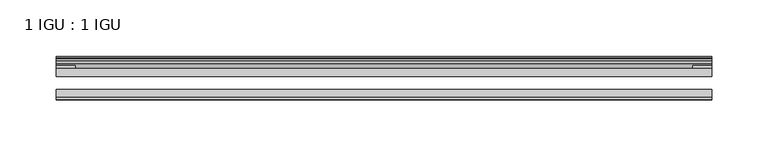
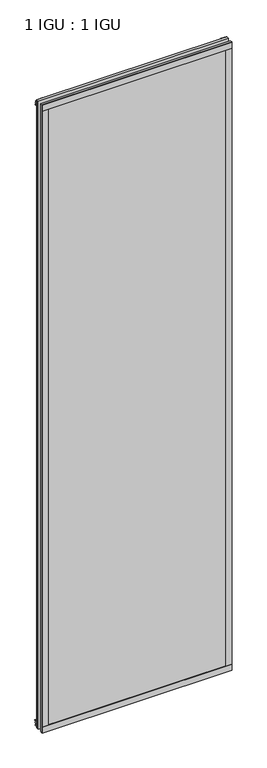
"""IFC4 building model written with IfcOpenShell, lengths in millimetres: plate geometry, 1 IGU : 1 IGU."""

from ifc_helpers import new_model, si_unit, point, frame, frame_2d, origin, place, context, project, spatial, polyline, circle_curve, trimmed, segment, composite_curve, outline, extrude, source, transform, mapped, element, save


def plate_1_igu_1_igu_458d0382(model_context):
    return source(origin(), model_context, "Body", "SweptSolid", [
        extrude(outline(polyline([(292.1, -11.6085937), (292.1, -18.8576359), (-292.1, -18.8576359), (-292.1, -11.6085937), (292.1, -11.6085937)])), frame((0.0, 0.0, -19.05), z_axis=(0.0, 0.0, 1.0), x_axis=(1.0, 0.0, 0.0)), (0.0, 0.0, 1.0), 2038.3500001),
        extrude(outline(polyline([(-292.1, -30.7093937), (292.1, -30.7093937), (292.1, -37.0085937), (-292.1, -37.0085937), (-292.1, -30.7093937)])), frame((0.0, 0.0, -19.05), z_axis=(0.0, 0.0, 1.0), x_axis=(1.0, 0.0, 0.0)), (0.0, 0.0, 1.0), 2038.3500001),
        extrude(outline(polyline([(-11.6085937, -15.24), (-11.6085937, 2.8161565), (-0.5298609, 1.2591422), (-0.5298609, -0.6645794), (-5.258589, 0.0), (-5.258589, -4.826), (-1.575589, -4.826), (-1.575589, -7.874), (-5.258589, -7.874), (-5.258589, -13.208), (-3.099589, -13.208), (-3.099589, -15.24), (-11.6085937, -15.24)])), frame((-292.1, 0.0, 0.0), z_axis=(1.0, 0.0, 0.0), x_axis=(0.0, 1.0, 0.0)), (0.0, 0.0, 1.0), 584.2),
        extrude(outline(polyline([(-292.1, -39.2945937), (-292.1, -37.0085937), (292.1, -37.0085937), (292.1, -39.2945937), (-292.1, -39.2945937)])), frame((0.0, 0.0, -19.05), z_axis=(0.0, 0.0, 1.0), x_axis=(1.0, 0.0, 0.0)), (0.0, 0.0, 1.0), 19.05),
        extrude(outline(composite_curve([segment(trimmed(circle_curve(frame_2d((-6.5285937, 2011.721876)), 1.27), [point((-7.4547667, 2012.590843))], [point((-5.2585937, 2011.721876))], False, "CARTESIAN"), True, "CONTINUOUS"), segment(polyline([(-5.2585937, 2011.721876), (-5.2585937, 2008.5050001), (-3.3544944, 2005.8297863), (-5.2585937, 2005.484551), (-5.2585937, 2000.2500001), (-2.385052, 2000.2500001)]), True, "CONTINUOUS"), segment(trimmed(circle_curve(frame_2d((-3.2589487, 1999.7317718)), 1.016), [point((-2.385052, 2000.2500001))], [point((-3.236916, 1998.7160107))], False, "CARTESIAN"), True, "CONTINUOUS"), segment(trimmed(circle_curve(frame_2d((-2.5575611, 1967.3961025)), 31.3272753), [point((-3.236916, 1998.7160107))], [point((-11.6085937, 1997.3873843))], True, "CARTESIAN"), True, "CONTINUOUS"), segment(polyline([(-11.6085937, 1997.3873843), (-11.6085937, 2008.1635609), (-7.4547667, 2012.590843)]), True, "CONTINUOUS")], self_intersect=False)), frame((-292.1, 0.0, 0.0), z_axis=(1.0, 0.0, 0.0), x_axis=(0.0, 1.0, 0.0)), (0.0, 0.0, 1.0), 584.2),
        extrude(outline(polyline([(-292.1, -39.2945937), (-292.1, -37.0085937), (292.1, -37.0085937), (292.1, -39.2945937), (-292.1, -39.2945937)])), frame((0.0, 0.0, 2000.2500001), z_axis=(0.0, 0.0, 1.0), x_axis=(1.0, 0.0, 0.0)), (0.0, 0.0, 1.0), 19.05),
        extrude(outline(polyline([(273.05, -37.0085937), (292.1, -37.0085937), (292.1, -39.2945938), (273.05, -39.2945938), (273.05, -37.0085937)])), frame((0.0, 0.0, -19.05), z_axis=(0.0, 0.0, 1.0), x_axis=(1.0, 0.0, 0.0)), (0.0, 0.0, 1.0), 2038.3500001),
        extrude(outline(polyline([(292.1, -9.3247196), (292.1, -11.6085937), (275.0185, -11.6085937), (275.0185, -9.3247196), (292.1, -9.3247196)])), frame((0.0, 0.0, -19.05), z_axis=(0.0, 0.0, 1.0), x_axis=(1.0, 0.0, 0.0)), (0.0, 0.0, 1.0), 2038.3500001),
        extrude(outline(polyline([(-292.1, -39.2945937), (-292.1, -37.0085937), (-273.05, -37.0085937), (-273.05, -39.2945937), (-292.1, -39.2945937)])), frame((0.0, 0.0, -19.05), z_axis=(0.0, 0.0, 1.0), x_axis=(1.0, 0.0, 0.0)), (0.0, 0.0, 1.0), 2038.3500001),
        extrude(outline(polyline([(-292.1, -11.6107196), (-292.1, -9.2273437), (-275.0185, -9.2273437), (-275.0185, -11.6107196), (-292.1, -11.6107196)])), frame((0.0, 0.0, -19.05), z_axis=(0.0, 0.0, 1.0), x_axis=(1.0, 0.0, 0.0)), (0.0, 0.0, 1.0), 2038.3500001),
    ])


if __name__ == "__main__":
    model = new_model("IFC4")
    model_context = context("Model", 3, world=origin())
    ifc_project = project(units=[si_unit("LENGTHUNIT", "METRE", prefix="MILLI")], contexts=[model_context])
    site = spatial("IfcSite", under=ifc_project)
    building = spatial("IfcBuilding", under=site)
    placement = place(None, origin())
    plate_1_igu_1_igu_shape = plate_1_igu_1_igu_458d0382(model_context)
    element("IfcPlate", 1, ObjectType="1 IGU : 1 IGU", at=placement, inside=building, context=model_context, shape_type="MappedRepresentation", body=[
        mapped(plate_1_igu_1_igu_shape, transform((0.0, 0.0, 0.0), x_axis=(1.0, 0.0, 0.0), y_axis=(0.0, 1.0, 0.0), z_axis=(0.0, 0.0, 1.0))),
    ])
    save(model, "model.ifc")
